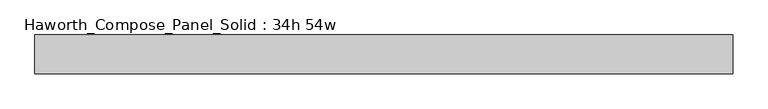
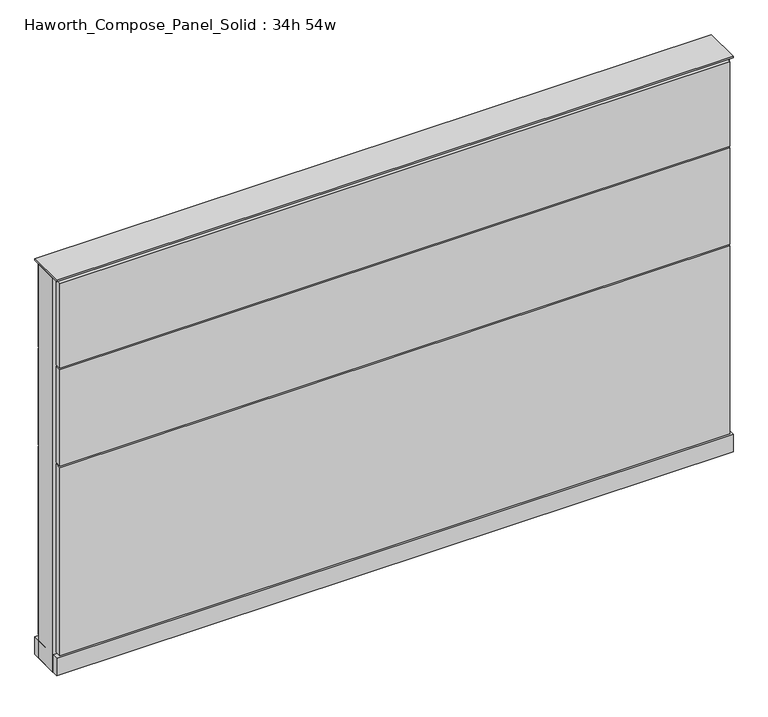
"""IFC4 building model written with IfcOpenShell, lengths in millimetres: furniture geometry, Haworth_Compose_Panel_Solid : 34h 54w."""

import ifcopenshell
import ifcopenshell.guid

model = None  # the IFC model being written
_history = None  # IfcOwnerHistory: only IFC2X3 demands one
_inside = {}  # id of a spatial element -> (the spatial element, [elements in it])
_under = {}  # id of a project, library or spatial element -> (it, [spatial elements below it])
_declared = {}  # id of a project -> (the project, [libraries it declares])
_typed = {}  # id of a type object -> (the type object, [elements of that type])
_made_of = {}  # id of a material, layer set ... -> (it, [elements and type objects made of it])


def new_model(schema):
    """Start an empty IFC model of exactly this schema.

    Asked for "IFC4X3", IfcOpenShell would pick the latest addendum, in which some entities
    have other attributes; the version numbers below select the first issue.
    IFC2X3 requires an IfcOwnerHistory on every rooted entity: one is made here for all.
    """
    global model, _history
    if schema == "IFC4X3":
        model = ifcopenshell.file(schema_version=(4, 3, 0, 0))
    else:
        model = ifcopenshell.file(schema=schema)
    _inside.clear()
    _under.clear()
    _declared.clear()
    _typed.clear()
    _made_of.clear()
    _history = None
    if model.schema == "IFC2X3":
        org = make("IfcOrganization", Name="unknown")
        user = make(
            "IfcPersonAndOrganization",
            ThePerson=make("IfcPerson", FamilyName="unknown"),
            TheOrganization=org,
        )
        app = make(
            "IfcApplication",
            ApplicationDeveloper=org,
            Version="unknown",
            ApplicationFullName="unknown",
            ApplicationIdentifier="unknown",
        )
        _history = make(
            "IfcOwnerHistory",
            OwningUser=user,
            OwningApplication=app,
            ChangeAction="ADDED",
            CreationDate=0,
        )
    return model


def make(cls, **values):
    """One entity of the class cls with the attributes given. An attribute that is None is left unset."""
    return model.create_entity(
        cls, **{name: value for name, value in values.items() if value is not None}
    )


def rooted(cls, **values):
    """An entity with a GlobalId (a new one), such as an element, a storey or a relation."""
    return make(cls, GlobalId=ifcopenshell.guid.new(), OwnerHistory=_history, **values)


def si_unit(unit_type, name, prefix=None):
    """IfcSIUnit, for example si_unit("LENGTHUNIT", "METRE", prefix="MILLI")."""
    return make("IfcSIUnit", UnitType=unit_type, Prefix=prefix, Name=name)


def assignment(units):
    """IfcUnitAssignment: the units of a project."""
    return None if units is None else make("IfcUnitAssignment", Units=units)


def point(xyz):
    """IfcCartesianPoint."""
    return None if xyz is None else make("IfcCartesianPoint", Coordinates=xyz)


def direction(xyz):
    """IfcDirection."""
    return None if xyz is None else make("IfcDirection", DirectionRatios=xyz)


def frame(location, z_axis=None, x_axis=None):
    """IfcAxis2Placement3D, a coordinate frame: its origin and axes. An axis left out is left unset."""
    return make(
        "IfcAxis2Placement3D",
        Location=point(location),
        Axis=direction(z_axis),
        RefDirection=direction(x_axis),
    )


def frame_2d(location, x_axis=None):
    """IfcAxis2Placement2D, a coordinate frame in the plane: its origin and x axis."""
    return make(
        "IfcAxis2Placement2D", Location=point(location), RefDirection=direction(x_axis)
    )


def origin():
    """The frame at (0, 0, 0) with its axes left unset."""
    return frame((0.0, 0.0, 0.0))


def origin_with_axes():
    """The frame at (0, 0, 0) with the z axis (0, 0, 1) and the x axis (1, 0, 0) written out."""
    return frame((0.0, 0.0, 0.0), z_axis=(0.0, 0.0, 1.0), x_axis=(1.0, 0.0, 0.0))


def place(relative_to, where):
    """IfcLocalPlacement: puts the frame where relative to a parent placement (None: the world)."""
    return make(
        "IfcLocalPlacement", PlacementRelTo=relative_to, RelativePlacement=where
    )


def context(
    kind, dimensions, precision=None, world=None, true_north=None, identifier=None
):
    """IfcGeometricRepresentationContext, for example the 3D "Model" context."""
    return make(
        "IfcGeometricRepresentationContext",
        ContextIdentifier=identifier,
        ContextType=kind,
        CoordinateSpaceDimension=dimensions,
        Precision=precision,
        WorldCoordinateSystem=world,
        TrueNorth=true_north,
    )


def project(units=None, contexts=None):
    """IfcProject with its units and contexts."""
    return rooted(
        "IfcProject",
        Name="project",
        RepresentationContexts=contexts,
        UnitsInContext=assignment(units),
    )


def spatial(cls, under=None, at=None, **own):
    """A site, building, storey or space (cls), placed at a placement, below another one or the project."""
    s = rooted(cls, ObjectPlacement=at, **own)
    if under is not None:
        _under.setdefault(under.id(), (under, []))[1].append(s)
    return s


def polyline(points):
    """IfcPolyline through the points."""
    return make("IfcPolyline", Points=[point(p) for p in points])


def circle_curve(where, radius):
    """IfcCircle in the frame where."""
    return make("IfcCircle", Position=where, Radius=radius)


def trimmed(basis, trim1, trim2, sense, master):
    """IfcTrimmedCurve: the piece of a basis curve between two trims."""
    return make(
        "IfcTrimmedCurve",
        BasisCurve=basis,
        Trim1=trim1,
        Trim2=trim2,
        SenseAgreement=sense,
        MasterRepresentation=master,
    )


def segment(curve, same_sense, transition):
    """IfcCompositeCurveSegment."""
    return make(
        "IfcCompositeCurveSegment",
        Transition=transition,
        SameSense=same_sense,
        ParentCurve=curve,
    )


def composite_curve(segments, self_intersect=None):
    """IfcCompositeCurve: segments joined end to end."""
    return make("IfcCompositeCurve", Segments=segments, SelfIntersect=self_intersect)


def outline(outer, holes=None, kind="AREA"):
    """IfcArbitraryClosedProfileDef: a profile drawn as a closed curve; with holes, ...WithVoids."""
    if holes is None:
        return make("IfcArbitraryClosedProfileDef", ProfileType=kind, OuterCurve=outer)
    return make(
        "IfcArbitraryProfileDefWithVoids",
        ProfileType=kind,
        OuterCurve=outer,
        InnerCurves=holes,
    )


def extrude(swept, where, along, depth):
    """IfcExtrudedAreaSolid: the profile swept, set in the frame where, extruded along a direction by depth."""
    return make(
        "IfcExtrudedAreaSolid",
        SweptArea=swept,
        Position=where,
        ExtrudedDirection=direction(along),
        Depth=depth,
    )


def shape(context_of_items, identifier, shape_type, items):
    """IfcShapeRepresentation: the items that make up one representation, for example the "Body"."""
    return make(
        "IfcShapeRepresentation",
        ContextOfItems=context_of_items,
        RepresentationIdentifier=identifier,
        RepresentationType=shape_type,
        Items=items,
    )


def source(mapping_origin, context_of_items, identifier, shape_type, items):
    """IfcRepresentationMap: a shape defined once, which mapped items show again and again."""
    return make(
        "IfcRepresentationMap",
        MappingOrigin=mapping_origin,
        MappedRepresentation=shape(context_of_items, identifier, shape_type, items),
    )


def transform(
    local_origin,
    x_axis=None,
    y_axis=None,
    z_axis=None,
    scale=None,
    scale2=None,
    scale3=None,
    uniform=True,
):
    """IfcCartesianTransformationOperator3D, or its non-uniform kind. x_axis, y_axis, z_axis: its Axis1, 2, 3."""
    if uniform:
        return make(
            "IfcCartesianTransformationOperator3D",
            Axis1=direction(x_axis),
            Axis2=direction(y_axis),
            LocalOrigin=point(local_origin),
            Scale=scale,
            Axis3=direction(z_axis),
        )
    return make(
        "IfcCartesianTransformationOperator3DnonUniform",
        Axis1=direction(x_axis),
        Axis2=direction(y_axis),
        LocalOrigin=point(local_origin),
        Scale=scale,
        Axis3=direction(z_axis),
        Scale2=scale2,
        Scale3=scale3,
    )


def mapped(mapping_source, mapping_target):
    """IfcMappedItem: shows the shape of a source again, moved by a transform."""
    return make(
        "IfcMappedItem", MappingSource=mapping_source, MappingTarget=mapping_target
    )


def made_of(thing, what):
    """Note that an element or type object is made of a material, layer set ...; save() writes the relation."""
    if what is not None:
        _made_of.setdefault(what.id(), (what, []))[1].append(thing)
    return thing


def element(
    cls,
    number,
    at=None,
    inside=None,
    cuts=None,
    type_object=None,
    material=None,
    context=None,
    identifier="Body",
    shape_type=None,
    held_by="IfcProductDefinitionShape",
    body=None,
    shapes=None,
    **own,
):
    """One element of the class cls, such as IfcWall. Its Tag is "e" and its number.

    at: its placement. inside: the storey or other place that contains it. cuts: it is an
    opening in that element (IfcRelVoidsElement). A single representation is given by context,
    identifier, shape_type and body (its items); several are given by shapes. held_by: the class
    of the entity that holds the representations. save() writes the other relations.
    """
    e = rooted(cls, Tag="e%d" % number, ObjectPlacement=at, **own)
    if body is not None:
        shapes = [shape(context, identifier, shape_type, body)]
    if shapes is not None:
        e.Representation = make(held_by, Representations=shapes)
    if inside is not None:
        _inside.setdefault(inside.id(), (inside, []))[1].append(e)
    if cuts is not None:
        rooted(
            "IfcRelVoidsElement", RelatingBuildingElement=cuts, RelatedOpeningElement=e
        )
    if type_object is not None:
        _typed.setdefault(type_object.id(), (type_object, []))[1].append(e)
    return made_of(e, material)


def aggregate(whole, parts):
    """IfcRelAggregates: a whole, such as a stair, and the parts it consists of."""
    return rooted("IfcRelAggregates", RelatingObject=whole, RelatedObjects=parts)


def save(model, path):
    """Write the relations noted so far, then the file.

    IfcRelAggregates (storeys below a building ...), IfcRelContainedInSpatialStructure (elements
    in a storey), IfcRelDefinesByType, IfcRelAssociatesMaterial and IfcRelDeclares: one each for
    every whole, place, type object, material and project.
    """
    for whole, parts in _under.values():
        aggregate(whole, parts)
    for where, things in _inside.values():
        rooted(
            "IfcRelContainedInSpatialStructure",
            RelatedElements=things,
            RelatingStructure=where,
        )
    for kind, things in _typed.values():
        rooted("IfcRelDefinesByType", RelatedObjects=things, RelatingType=kind)
    for what, things in _made_of.values():
        rooted("IfcRelAssociatesMaterial", RelatedObjects=things, RelatingMaterial=what)
    for by, libraries in _declared.values():
        rooted("IfcRelDeclares", RelatingContext=by, RelatedDefinitions=libraries)
    model.write(path)


def haworth_compose_panel_solid_34h_54w_bb3860b8(model_context):
    return source(origin(), model_context, "Body", "SweptSolid", [
        extrude(outline(composite_curve([segment(trimmed(circle_curve(frame_2d((-607.1597098, 0.0)), 12.7), [point((-619.8597098, 0.0))], [point((-594.4597098, 0.0))], False, "CARTESIAN"), True, "CONTINUOUS"), segment(trimmed(circle_curve(frame_2d((-607.1597098, 0.0)), 12.7), [point((-594.4597098, 0.0))], [point((-619.8597098, 0.0))], False, "CARTESIAN"), True, "CONTINUOUS")], self_intersect=False)), origin_with_axes(), (0.0, 0.0, 1.0), 12.7),
        extrude(outline(composite_curve([segment(trimmed(circle_curve(frame_2d((612.0402902, 0.0)), 12.7), [point((599.3402902, 0.0))], [point((624.7402902, 0.0))], False, "CARTESIAN"), True, "CONTINUOUS"), segment(trimmed(circle_curve(frame_2d((612.0402902, 0.0)), 12.7), [point((624.7402902, 0.0))], [point((599.3402902, 0.0))], False, "CARTESIAN"), True, "CONTINUOUS")], self_intersect=False)), origin_with_axes(), (0.0, 0.0, 1.0), 12.7),
        extrude(outline(polyline([(681.8902902, 38.1), (681.8902902, 25.4), (-677.0097098, 25.4), (-677.0097098, 38.1), (681.8902902, 38.1)])), frame((0.0, 0.0, 669.925), z_axis=(0.0, 0.0, 1.0), x_axis=(1.0, 0.0, 0.0)), (0.0, 0.0, 1.0), 180.975),
        extrude(outline(polyline([(681.8902902, 38.1), (681.8902902, 25.4), (-677.0097098, 25.4), (-677.0097098, 38.1), (681.8902902, 38.1)])), frame((0.0, 0.0, 460.375), z_axis=(0.0, 0.0, 1.0), x_axis=(1.0, 0.0, 0.0)), (0.0, 0.0, 1.0), 206.375),
        extrude(outline(polyline([(681.8902902, 38.1), (681.8902902, 25.4), (-677.0097098, 25.4), (-677.0097098, 38.1), (681.8902902, 38.1)])), frame((0.0, 0.0, 53.975), z_axis=(0.0, 0.0, 1.0), x_axis=(1.0, 0.0, 0.0)), (0.0, 0.0, 1.0), 403.225),
        extrude(outline(polyline([(681.8902902, -38.1), (-677.0097098, -38.1), (-677.0097098, -25.4), (681.8902902, -25.4), (681.8902902, -38.1)])), frame((0.0, 0.0, 669.925), z_axis=(0.0, 0.0, 1.0), x_axis=(1.0, 0.0, 0.0)), (0.0, 0.0, 1.0), 180.975),
        extrude(outline(polyline([(681.8902902, -38.1), (-677.0097098, -38.1), (-677.0097098, -25.4), (681.8902902, -25.4), (681.8902902, -38.1)])), frame((0.0, 0.0, 460.375), z_axis=(0.0, 0.0, 1.0), x_axis=(1.0, 0.0, 0.0)), (0.0, 0.0, 1.0), 206.375),
        extrude(outline(polyline([(681.8902902, -38.1), (-677.0097098, -38.1), (-677.0097098, -25.4), (681.8902902, -25.4), (681.8902902, -38.1)])), frame((0.0, 0.0, 53.975), z_axis=(0.0, 0.0, 1.0), x_axis=(1.0, 0.0, 0.0)), (0.0, 0.0, 1.0), 403.225),
        extrude(outline(polyline([(688.2402902, 25.4), (688.2402902, -25.4), (-683.3597098, -25.4), (-683.3597098, 25.4), (688.2402902, 25.4)])), frame((0.0, 0.0, 12.7), z_axis=(0.0, 0.0, 1.0), x_axis=(1.0, 0.0, 0.0)), (0.0, 0.0, 1.0), 844.55),
        extrude(outline(polyline([(-683.3597098, -38.1), (-683.3597098, 38.1), (688.2402902, 38.1), (688.2402902, -38.1), (-683.3597098, -38.1)])), frame((0.0, 0.0, 12.7), z_axis=(0.0, 0.0, 1.0), x_axis=(1.0, 0.0, 0.0)), (0.0, 0.0, 1.0), 38.1),
        extrude(outline(polyline([(-683.3597098, -38.1), (-683.3597098, 38.1), (688.2402902, 38.1), (688.2402902, -38.1), (-683.3597098, -38.1)])), frame((0.0, 0.0, 857.25), z_axis=(0.0, 0.0, 1.0), x_axis=(1.0, 0.0, 0.0)), (0.0, 0.0, 1.0), 3.175),
    ])


if __name__ == "__main__":
    model = new_model("IFC4")
    model_context = context("Model", 3, world=origin())
    ifc_project = project(units=[si_unit("LENGTHUNIT", "METRE", prefix="MILLI")], contexts=[model_context])
    site = spatial("IfcSite", under=ifc_project)
    building = spatial("IfcBuilding", under=site)
    placement = place(None, origin())
    haworth_compose_panel_solid_34h_54w_shape = haworth_compose_panel_solid_34h_54w_bb3860b8(model_context)
    element("IfcFurniture", 1, ObjectType="Haworth_Compose_Panel_Solid : 34h 54w", at=placement, inside=building, context=model_context, shape_type="MappedRepresentation", body=[
        mapped(haworth_compose_panel_solid_34h_54w_shape, transform((0.0, 0.0, 0.0), x_axis=(1.0, 0.0, 0.0), y_axis=(0.0, 1.0, 0.0), z_axis=(0.0, 0.0, 1.0))),
    ])
    save(model, "model.ifc")
